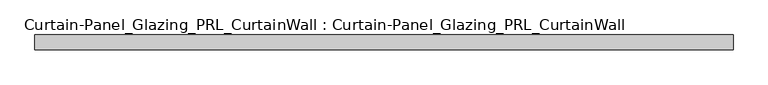
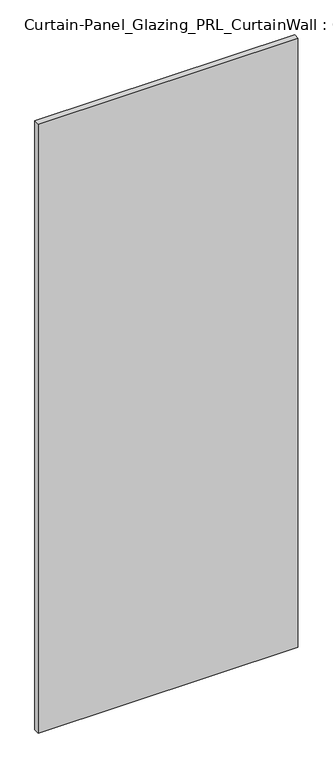
"""IFC4 building model written with IfcOpenShell, lengths in millimetres: plate geometry, Curtain-Panel_Glazing_PRL_CurtainWall : Curtain-Panel_Glazing_PRL_CurtainWall."""

from ifc_helpers import new_model, si_unit, origin, origin_with_axes, place, context, project, spatial, polyline, outline, extrude, source, transform, mapped, element, save


def curtain_panel_glazing_prl_curtainwall_curtain_panel_glazing_d564c943(model_context):
    return source(origin(), model_context, "Body", "SweptSolid", [
        extrude(outline(polyline([(581.81875, -12.7), (-623.09375, -12.7), (-623.09375, 12.7), (581.81875, 12.7), (581.81875, -12.7)])), origin_with_axes(), (0.0, 0.0, 1.0), 2986.0875),
    ])


if __name__ == "__main__":
    model = new_model("IFC4")
    model_context = context("Model", 3, world=origin())
    ifc_project = project(units=[si_unit("LENGTHUNIT", "METRE", prefix="MILLI")], contexts=[model_context])
    site = spatial("IfcSite", under=ifc_project)
    building = spatial("IfcBuilding", under=site)
    placement = place(None, origin())
    curtain_panel_glazing_prl_curtainwall_curtain_panel_glazing_shape = curtain_panel_glazing_prl_curtainwall_curtain_panel_glazing_d564c943(model_context)
    element("IfcPlate", 1, ObjectType="Curtain-Panel_Glazing_PRL_CurtainWall : Curtain-Panel_Glazing_PRL_CurtainWall", at=placement, inside=building, context=model_context, shape_type="MappedRepresentation", body=[
        mapped(curtain_panel_glazing_prl_curtainwall_curtain_panel_glazing_shape, transform((0.0, 0.0, 0.0), x_axis=(1.0, 0.0, 0.0), y_axis=(0.0, 1.0, 0.0), z_axis=(0.0, 0.0, 1.0))),
    ])
    save(model, "model.ifc")
